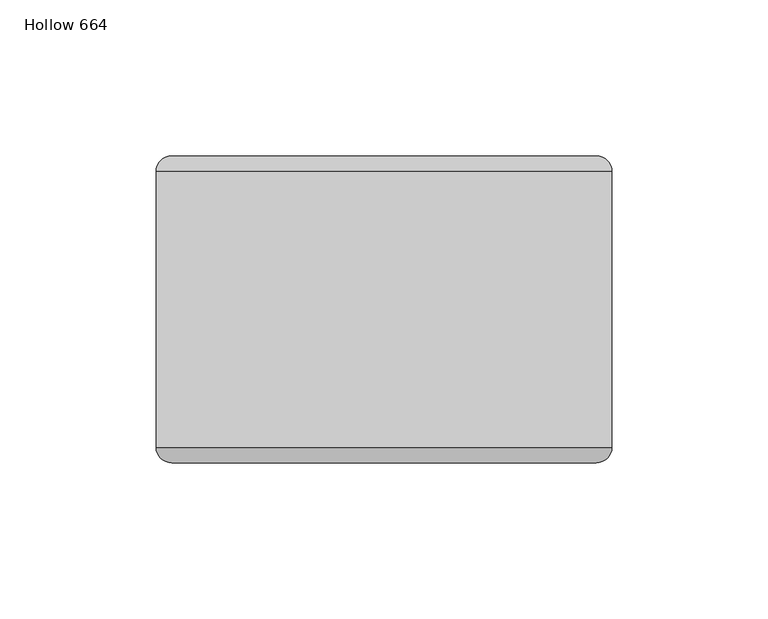
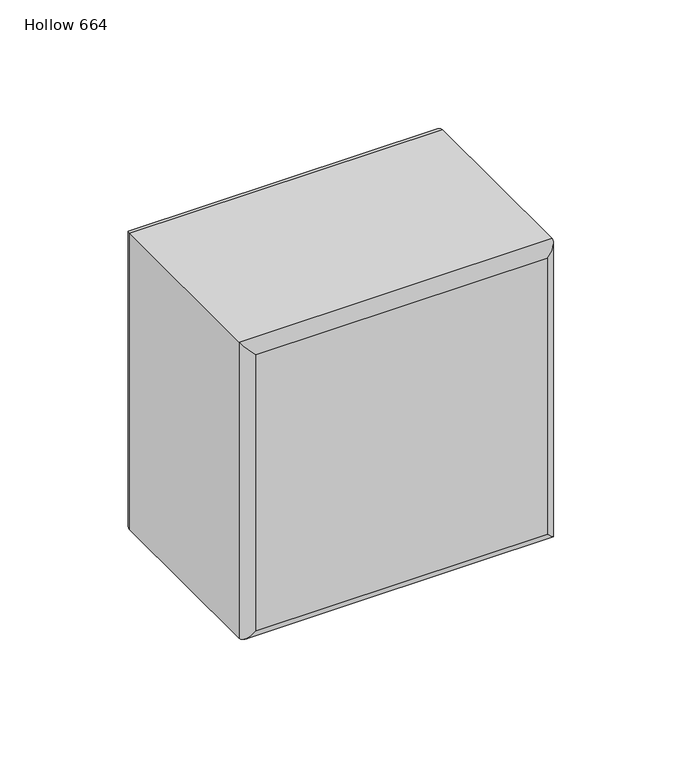
"""IFC4 building model written with IfcOpenShell, lengths in millimetres: plate geometry, Hollow 664."""

from ifc_helpers import new_model, si_unit, frame, origin, place, context, project, spatial, ellipse_curve, source, transform, mapped, element, save
from ifc_brep_helpers import plane_surface, cylinder_surface, advanced_brep


def hollow_664_1f4e3c42(model_context):
    return source(origin(), model_context, "Body", "AdvancedBrep", [
        advanced_brep(
        [(-73.0582959, -44.2, 146.1), (73.0417041, -44.2, 146.1), (73.0417041, 44.2, 146.1), (-73.0582959, 44.2, 146.1), (73.0417041, -44.2, 0.0), (-73.0582959, -44.2, 0.0), (-73.0582959, 44.2, 0.0), (73.0417041, 44.2, 0.0), (-68.0582959, -49.2, 5.0), (68.0417041, -49.2, 5.0), (68.0417041, -49.2, 141.1), (-68.0582959, -49.2, 141.1), (68.0417041, 49.2, 5.0), (-68.0582959, 49.2, 5.0), (-68.0582959, 49.2, 141.1), (68.0417041, 49.2, 141.1)],
        [
            (0, 1),
            (1, 2),
            (2, 3),
            (3, 0),
            (4, 5),
            (5, 6),
            (6, 7),
            (7, 4),
            (8, 9),
            (9, 10),
            (10, 11),
            (11, 8),
            (1, 4),
            (7, 2),
            (12, 13),
            (13, 14),
            (14, 15),
            (15, 12),
            (5, 0),
            (3, 6),
            (4, 9, ellipse_curve(frame((68.0417041, -44.2, 5.0), z_axis=(-0.7071067811865475, 0.0, -0.7071067811865475), x_axis=(0.7071067811865476, 0.0, -0.7071067811865474)), 7.0710678, 5.0)),
            (8, 5, ellipse_curve(frame((-68.0582959, -44.2, 5.0), z_axis=(0.7071067811865475, 0.0, -0.7071067811865475), x_axis=(0.7071067811865476, 0.0, 0.7071067811865474)), 7.0710678, 5.0)),
            (1, 10, ellipse_curve(frame((68.0417041, -44.2, 141.1), z_axis=(0.7071067811865475, 0.0, -0.7071067811865475), x_axis=(0.7071067811865474, 0.0, 0.7071067811865476)), 7.0710678, 5.0)),
            (0, 11, ellipse_curve(frame((-68.0582959, -44.2, 141.1), z_axis=(0.7071067811865475, 0.0, 0.7071067811865475), x_axis=(-0.7071067811865476, 0.0, 0.7071067811865474)), 7.0710678, 5.0)),
            (12, 7, ellipse_curve(frame((68.0417041, 44.2, 5.0), z_axis=(-0.7071067811865475, 0.0, -0.7071067811865475), x_axis=(0.7071067811865476, 0.0, -0.7071067811865474)), 7.0710678, 5.0)),
            (6, 13, ellipse_curve(frame((-68.0582959, 44.2, 5.0), z_axis=(0.7071067811865475, 0.0, -0.7071067811865475), x_axis=(0.7071067811865476, 0.0, 0.7071067811865474)), 7.0710678, 5.0)),
            (15, 2, ellipse_curve(frame((68.0417041, 44.2, 141.1), z_axis=(0.7071067811865475, 0.0, -0.7071067811865475), x_axis=(0.7071067811865474, 0.0, 0.7071067811865476)), 7.0710678, 5.0)),
            (14, 3, ellipse_curve(frame((-68.0582959, 44.2, 141.1), z_axis=(0.7071067811865475, 0.0, 0.7071067811865475), x_axis=(-0.7071067811865476, 0.0, 0.7071067811865474)), 7.0710678, 5.0)),
        ],
        [
            plane_surface(frame((-73.0582959, -49.2, 146.1), z_axis=(0.0, 0.0, 1.0), x_axis=(1.0, 0.0, 0.0))),
            plane_surface(frame((-73.0582959, -49.2, 0.0), z_axis=(0.0, 0.0, -1.0), x_axis=(-1.0, 0.0, 0.0))),
            plane_surface(frame((-73.0582959, -49.2, 146.1), z_axis=(0.0, -1.0, 0.0), x_axis=(0.0, 0.0, -1.0))),
            plane_surface(frame((73.0417041, -49.2, 146.1), z_axis=(1.0, 0.0, 0.0), x_axis=(0.0, 0.0, -1.0))),
            plane_surface(frame((73.0417041, 49.2, 146.1), z_axis=(0.0, 1.0, 0.0), x_axis=(0.0, 0.0, -1.0))),
            plane_surface(frame((-73.0582959, 49.2, 146.1), z_axis=(-1.0, 0.0, 0.0), x_axis=(0.0, 0.0, -1.0))),
            cylinder_surface(frame((-73.0582959, -44.2, 5.0), z_axis=(1.0, 0.0, 0.0), x_axis=(0.0, 0.0, -1.0)), 5.0),
            cylinder_surface(frame((68.0417041, -44.2, 0.0), z_axis=(0.0, 0.0, 1.0), x_axis=(1.0, 0.0, 0.0)), 5.0),
            cylinder_surface(frame((73.0417041, -44.2, 141.1), z_axis=(-1.0, 0.0, 0.0), x_axis=(0.0, 0.0, 1.0)), 5.0),
            cylinder_surface(frame((-68.0582959, -44.2, 146.1), z_axis=(0.0, 0.0, -1.0), x_axis=(-1.0, 0.0, 0.0)), 5.0),
            cylinder_surface(frame((-73.0582959, 44.2, 5.0), z_axis=(1.0, 0.0, 0.0), x_axis=(0.0, 0.0, -1.0)), 5.0),
            cylinder_surface(frame((68.0417041, 44.2, 0.0), z_axis=(0.0, 0.0, 1.0), x_axis=(1.0, 0.0, 0.0)), 5.0),
            cylinder_surface(frame((73.0417041, 44.2, 141.1), z_axis=(-1.0, 0.0, 0.0), x_axis=(0.0, 0.0, 1.0)), 5.0),
            cylinder_surface(frame((-68.0582959, 44.2, 146.1), z_axis=(0.0, 0.0, -1.0), x_axis=(-1.0, 0.0, 0.0)), 5.0),
        ],
        [
            (0, [[1, 2, 3, 4]]),
            (1, [[5, 6, 7, 8]]),
            (2, [[9, 10, 11, 12]]),
            (3, [[13, -8, 14, -2]]),
            (4, [[15, 16, 17, 18]]),
            (5, [[19, -4, 20, -6]]),
            (6, [[21, -9, 22, -5]]),
            (7, [[-21, -13, 23, -10]]),
            (8, [[-23, -1, 24, -11]]),
            (9, [[-22, -12, -24, -19]]),
            (10, [[25, -7, 26, -15]]),
            (11, [[-25, -18, 27, -14]]),
            (12, [[-27, -17, 28, -3]]),
            (13, [[-26, -20, -28, -16]]),
        ],
    ),
    ])


if __name__ == "__main__":
    model = new_model("IFC4")
    model_context = context("Model", 3, world=origin())
    ifc_project = project(units=[si_unit("LENGTHUNIT", "METRE", prefix="MILLI")], contexts=[model_context])
    site = spatial("IfcSite", under=ifc_project)
    building = spatial("IfcBuilding", under=site)
    placement = place(None, origin())
    hollow_664_shape = hollow_664_1f4e3c42(model_context)
    element("IfcPlate", 1, ObjectType="Hollow 664", at=placement, inside=building, context=model_context, shape_type="MappedRepresentation", body=[
        mapped(hollow_664_shape, transform((0.0, 0.0, 0.0), x_axis=(1.0, 0.0, 0.0), y_axis=(0.0, 1.0, 0.0), z_axis=(0.0, 0.0, 1.0))),
    ])
    save(model, "model.ifc")
